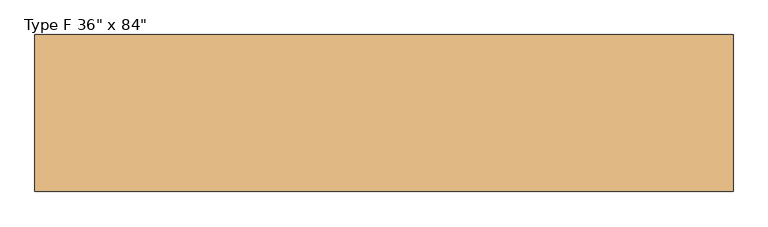
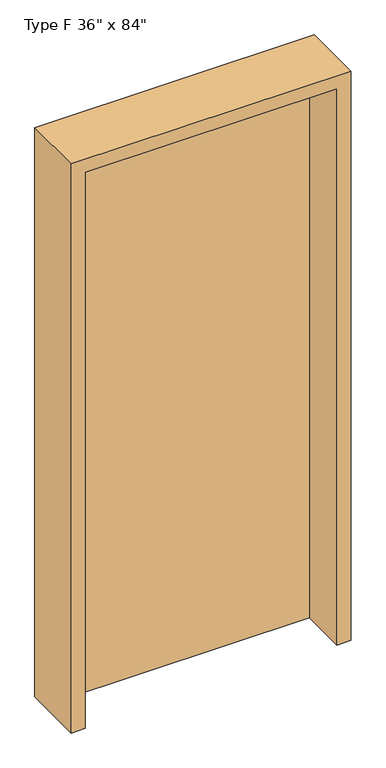
"""IFC4 building model written with IfcOpenShell, lengths in millimetres: door geometry."""

from ifc_helpers import new_model, si_unit, frame, origin, origin_with_axes, place, context, project, spatial, polyline, outline, extrude, source, transform, mapped, element, save


def door_34b8b47f(model_context):
    return source(origin(), model_context, "Body", "SweptSolid", [
        extrude(outline(polyline([(-457.2, 109.6600506), (457.2, 109.6600506), (457.2, 65.2100506), (-457.2, 65.2100506), (-457.2, 109.6600506)])), origin_with_axes(), (0.0, 0.0, 1.0), 2133.6),
        extrude(outline(polyline([(2184.4, -508.0), (0.0, -508.0), (0.0, -457.2), (2133.6, -457.2), (2133.6, 457.2), (0.0, 457.2), (0.0, 508.0), (2184.4, 508.0), (2184.4, -508.0)])), frame((0.0, -106.2399494, 0.0), z_axis=(0.0, 1.0, 0.0), x_axis=(0.0, 0.0, 1.0)), (0.0, 0.0, 1.0), 228.6),
    ])


if __name__ == "__main__":
    model = new_model("IFC4")
    model_context = context("Model", 3, world=origin())
    ifc_project = project(units=[si_unit("LENGTHUNIT", "METRE", prefix="MILLI")], contexts=[model_context])
    site = spatial("IfcSite", under=ifc_project)
    building = spatial("IfcBuilding", under=site)
    placement = place(None, origin())
    door_shape = door_34b8b47f(model_context)
    element("IfcDoor", 1, ObjectType="Type F 36\" x 84\"", at=placement, inside=building, context=model_context, shape_type="MappedRepresentation", body=[
        mapped(door_shape, transform((0.0, 0.0, 0.0), x_axis=(1.0, 0.0, 0.0), y_axis=(0.0, 1.0, 0.0), z_axis=(0.0, 0.0, 1.0))),
    ])
    save(model, "model.ifc")
